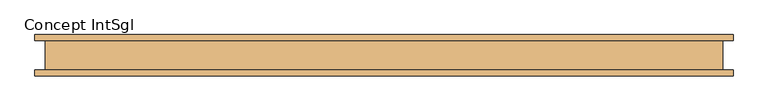
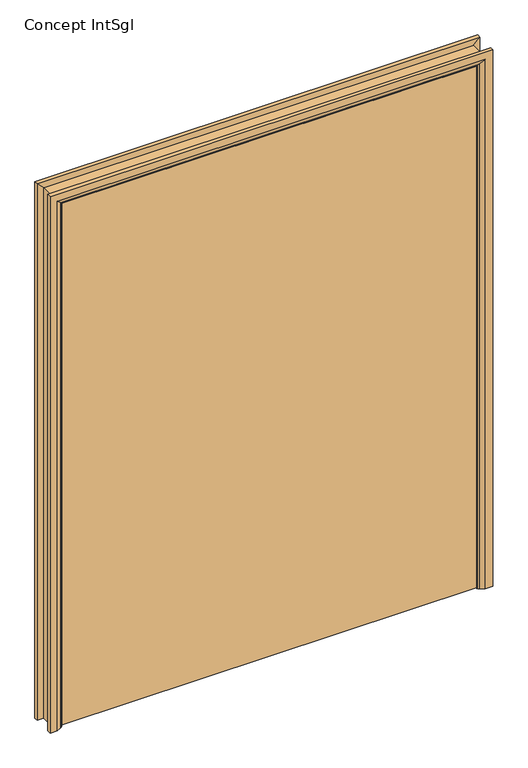
"""IFC4 building model written with IfcOpenShell, lengths in millimetres: door geometry, Concept IntSgl."""

from ifc_helpers import new_model, si_unit, frame, origin, place, context, project, spatial, polyline, circle_curve, ellipse_curve, outline, extrude, faceted_brep, source, transform, mapped, element, save
from ifc_brep_helpers import plane_surface, cylinder_surface, advanced_brep


def concept_intsgl_93e7fd15(model_context):
    return source(origin(), model_context, "Body", "SolidModel", [
        extrude(outline(polyline([(1108.0, -12.0), (1108.0, -50.0), (-1108.0, -50.0), (-1108.0, -12.0), (1108.0, -12.0)])), frame((0.0, 0.0, 8.0), z_axis=(0.0, 0.0, 1.0), x_axis=(1.0, 0.0, 0.0)), (0.0, 0.0, 1.0), 2950.0),
        advanced_brep(
        [(1185.0, -70.0, 0.0), (1145.0, -70.0, 0.0), (1119.0, -56.0, 0.0), (1115.0, -50.0, 0.0), (1185.0, -50.0, 0.0), (1185.0, -50.0, 3035.0), (1185.0, -70.0, 3035.0), (1115.0, -50.0, 2965.0), (-1115.0, -50.0, 2965.0), (-1115.0, -50.0, 0.0), (-1185.0, -50.0, 0.0), (-1185.0, -50.0, 3035.0), (1119.0, -56.0, 2969.0), (1145.0, -70.0, 2995.0), (-1185.0, -70.0, 3035.0), (-1185.0, -70.0, 0.0), (-1145.0, -70.0, 0.0), (-1145.0, -70.0, 2995.0), (-1119.0, -56.0, 0.0), (-1119.0, -56.0, 2969.0)],
        [
            (0, 1),
            (1, 2),
            (2, 3, circle_curve(frame((1123.0, -49.0, 0.0), z_axis=(0.0, 0.0, -1.0), x_axis=(1.0, 0.0, 0.0)), 8.0622577)),
            (3, 4),
            (4, 0),
            (4, 5),
            (5, 6),
            (6, 0),
            (3, 7),
            (7, 8),
            (8, 9),
            (9, 10),
            (10, 11),
            (11, 5),
            (2, 12),
            (12, 7, ellipse_curve(frame((1123.0, -49.0, 2973.0), z_axis=(0.7071067811865475, 0.0, -0.7071067811865475), x_axis=(-0.7071067811865474, 0.0, -0.7071067811865476)), 11.4017543, 8.0622577)),
            (1, 13),
            (13, 12),
            (6, 14),
            (14, 15),
            (15, 16),
            (16, 17),
            (17, 13),
            (10, 15),
            (14, 11),
            (9, 18, circle_curve(frame((-1123.0, -49.0, 0.0), z_axis=(0.0, 0.0, -1.0), x_axis=(-1.0, 0.0, 0.0)), 8.0622577)),
            (18, 16),
            (19, 18),
            (8, 19, ellipse_curve(frame((-1123.0, -49.0, 2973.0), z_axis=(-0.7071067811865475, 0.0, -0.7071067811865475), x_axis=(-0.7071067811865474, 0.0, 0.7071067811865476)), 11.4017543, 8.0622577)),
            (19, 17),
            (12, 19),
        ],
        [
            plane_surface(frame((1115.0, -50.0, 0.0), z_axis=(0.0, 0.0, -1.0), x_axis=(0.0, 1.0, 0.0))),
            plane_surface(frame((1185.0, -70.0, 0.0), z_axis=(1.0, 0.0, 0.0), x_axis=(0.0, 0.0, 1.0))),
            plane_surface(frame((1185.0, -50.0, 0.0), z_axis=(0.0, 1.0, 0.0), x_axis=(0.0, 0.0, 1.0))),
            cylinder_surface(frame((1123.0, -49.0, 0.0), z_axis=(0.0, 0.0, -1.0), x_axis=(1.0, 0.0, 0.0)), 8.0622577),
            plane_surface(frame((1119.0, -56.0, 0.0), z_axis=(-0.4740998230350126, -0.880471099922178, 0.0), x_axis=(0.0, 0.0, 1.0))),
            plane_surface(frame((1145.0, -70.0, 0.0), z_axis=(0.0, -1.0, 0.0), x_axis=(0.0, 0.0, 1.0))),
            plane_surface(frame((-1185.0, -70.0, 3035.0), z_axis=(-1.0, 0.0, 0.0), x_axis=(0.0, 0.0, -1.0))),
            plane_surface(frame((-1115.0, -50.0, 0.0), z_axis=(0.0, 0.0, -1.0), x_axis=(0.0, 1.0, 0.0))),
            cylinder_surface(frame((-1123.0, -49.0, 2965.0), z_axis=(0.0, 0.0, 1.0), x_axis=(-1.0, 0.0, 0.0)), 8.0622577),
            plane_surface(frame((-1119.0, -56.0, 2969.0), z_axis=(0.47409982303501824, -0.8804710999221749, 0.0), x_axis=(0.0, 0.0, -1.0))),
            plane_surface(frame((1185.0, -70.0, 3035.0), z_axis=(0.0, 0.0, 1.0), x_axis=(-1.0, 0.0, 0.0))),
            cylinder_surface(frame((1115.0, -49.0, 2973.0), z_axis=(1.0, 0.0, 0.0), x_axis=(0.0, 0.0, 1.0)), 8.0622577),
            plane_surface(frame((1119.0, -56.0, 2969.0), z_axis=(0.0, -0.8804710999221764, -0.4740998230350154), x_axis=(-1.0, 0.0, 0.0))),
        ],
        [
            (0, [[1, 2, 3, 4, 5]]),
            (1, [[6, 7, 8, -5]]),
            (2, [[9, 10, 11, 12, 13, 14, -6, -4]]),
            (3, [[15, 16, -9, -3]]),
            (4, [[17, 18, -15, -2]]),
            (5, [[-8, 19, 20, 21, 22, 23, -17, -1]]),
            (6, [[-13, 24, -20, 25]]),
            (7, [[-24, -12, 26, 27, -21]]),
            (8, [[28, -26, -11, 29]]),
            (9, [[-22, -27, -28, 30]]),
            (10, [[-14, -25, -19, -7]]),
            (11, [[31, -29, -10, -16]]),
            (12, [[-23, -30, -31, -18]]),
        ],
    ),
        extrude(outline(polyline([(0.0, -1091.0), (2941.0, -1091.0), (2941.0, 1091.0), (0.0, 1091.0), (0.0, 1110.0), (2960.0, 1110.0), (2960.0, -1110.0), (0.0, -1110.0), (0.0, -1091.0)])), frame((0.0, -10.0, 0.0), z_axis=(0.0, 1.0, 0.0), x_axis=(0.0, 0.0, 1.0)), (0.0, 0.0, 1.0), 32.0),
        advanced_brep(
        [(-1185.0, 70.0, 0.0), (-1145.0, 70.0, 0.0), (-1119.0, 56.0, 0.0), (-1115.0, 50.0, 0.0), (-1185.0, 50.0, 0.0), (-1185.0, 50.0, 3035.0), (-1185.0, 70.0, 3035.0), (-1115.0, 50.0, 2965.0), (-1119.0, 56.0, 2969.0), (-1145.0, 70.0, 2995.0), (1185.0, 70.0, 0.0), (1185.0, 50.0, 0.0), (1115.0, 50.0, 0.0), (1119.0, 56.0, 0.0), (1145.0, 70.0, 0.0), (1185.0, 70.0, 3035.0), (1145.0, 70.0, 2995.0), (1119.0, 56.0, 2969.0), (1115.0, 50.0, 2965.0), (1185.0, 50.0, 3035.0)],
        [
            (0, 1),
            (1, 2),
            (2, 3, circle_curve(frame((-1123.0, 49.0, 0.0), z_axis=(0.0, 0.0, -1.0), x_axis=(-1.0, 0.0, 0.0)), 8.0622577)),
            (3, 4),
            (4, 0),
            (4, 5),
            (5, 6),
            (6, 0),
            (3, 7),
            (7, 5),
            (2, 8),
            (8, 7, ellipse_curve(frame((-1123.0, 49.0, 2973.0), z_axis=(-0.7071067811865475, 0.0, -0.7071067811865475), x_axis=(0.7071067811865474, 0.0, -0.7071067811865476)), 11.4017543, 8.0622577)),
            (1, 9),
            (9, 8),
            (6, 9),
            (10, 11),
            (11, 12),
            (12, 13, circle_curve(frame((1123.0, 49.0, 0.0), z_axis=(0.0, 0.0, -1.0), x_axis=(1.0, 0.0, 0.0)), 8.0622577)),
            (13, 14),
            (14, 10),
            (15, 10),
            (14, 16),
            (16, 15),
            (13, 17),
            (17, 16),
            (12, 18),
            (18, 17, ellipse_curve(frame((1123.0, 49.0, 2973.0), z_axis=(0.7071067811865475, 0.0, -0.7071067811865475), x_axis=(0.7071067811865474, 0.0, 0.7071067811865476)), 11.4017543, 8.0622577)),
            (11, 19),
            (19, 18),
            (15, 19),
            (5, 19),
            (15, 6),
            (7, 18),
            (8, 17),
            (9, 16),
        ],
        [
            plane_surface(frame((-1115.0, 122.8010989, 0.0), z_axis=(0.0, 0.0, -1.0), x_axis=(1.0, 0.0, 0.0))),
            plane_surface(frame((-1185.0, 70.0, 0.0), z_axis=(-1.0, 0.0, 0.0), x_axis=(0.0, 0.0, 1.0))),
            plane_surface(frame((-1185.0, 50.0, 0.0), z_axis=(0.0, -1.0, 0.0), x_axis=(0.0, 0.0, 1.0))),
            cylinder_surface(frame((-1123.0, 49.0, 0.0), z_axis=(0.0, 0.0, -1.0), x_axis=(-1.0, 0.0, 0.0)), 8.0622577),
            plane_surface(frame((-1119.0, 56.0, 0.0), z_axis=(0.4740998230350183, 0.8804710999221749, 0.0), x_axis=(0.0, 0.0, 1.0))),
            plane_surface(frame((-1145.0, 70.0, 0.0), z_axis=(0.0, 1.0, 0.0), x_axis=(0.0, 0.0, 1.0))),
            plane_surface(frame((1115.0, 122.8010989, 0.0), z_axis=(0.0, 0.0, -1.0), x_axis=(-1.0, 0.0, 0.0))),
            plane_surface(frame((1145.0, 70.0, 2995.0), z_axis=(0.0, 1.0, 0.0), x_axis=(0.0, 0.0, -1.0))),
            plane_surface(frame((1119.0, 56.0, 2969.0), z_axis=(-0.4740998230350183, 0.8804710999221749, 0.0), x_axis=(0.0, 0.0, -1.0))),
            cylinder_surface(frame((1123.0, 49.0, 2965.0), z_axis=(0.0, 0.0, 1.0), x_axis=(1.0, 0.0, 0.0)), 8.0622577),
            plane_surface(frame((1185.0, 50.0, 3035.0), z_axis=(0.0, -1.0, 0.0), x_axis=(0.0, 0.0, -1.0))),
            plane_surface(frame((1185.0, 70.0, 3035.0), z_axis=(1.0, 0.0, 0.0), x_axis=(0.0, 0.0, -1.0))),
            plane_surface(frame((-1185.0, 70.0, 3035.0), z_axis=(0.0, 0.0, 1.0), x_axis=(1.0, 0.0, 0.0))),
            plane_surface(frame((-1185.0, 50.0, 3035.0), z_axis=(0.0, -1.0, 0.0), x_axis=(1.0, 0.0, 0.0))),
            cylinder_surface(frame((-1115.0, 49.0, 2973.0), z_axis=(-1.0, 0.0, 0.0), x_axis=(0.0, 0.0, 1.0)), 8.0622577),
            plane_surface(frame((-1119.0, 56.0, 2969.0), z_axis=(0.0, 0.8804710999221749, -0.4740998230350183), x_axis=(1.0, 0.0, 0.0))),
            plane_surface(frame((-1145.0, 70.0, 2995.0), z_axis=(0.0, 1.0, 0.0), x_axis=(1.0, 0.0, 0.0))),
        ],
        [
            (0, [[1, 2, 3, 4, 5]]),
            (1, [[6, 7, 8, -5]]),
            (2, [[9, 10, -6, -4]]),
            (3, [[11, 12, -9, -3]]),
            (4, [[13, 14, -11, -2]]),
            (5, [[-8, 15, -13, -1]]),
            (6, [[16, 17, 18, 19, 20]]),
            (7, [[21, -20, 22, 23]]),
            (8, [[-22, -19, 24, 25]]),
            (9, [[-24, -18, 26, 27]]),
            (10, [[-26, -17, 28, 29]]),
            (11, [[-28, -16, -21, 30]]),
            (12, [[31, -30, 32, -7]]),
            (13, [[33, -29, -31, -10]]),
            (14, [[34, -27, -33, -12]]),
            (15, [[35, -25, -34, -14]]),
            (16, [[-32, -23, -35, -15]]),
        ],
    ),
        faceted_brep([(-1110.0, 50.0, 0.0), (-1110.0, -50.0, 0.0), (-1150.0, -50.0, 0.0), (-1150.0, 50.0, 0.0), (-1150.0, 50.0, 3000.0), (-1110.0, 50.0, 2960.0), (-1150.0, -50.0, 3000.0), (-1110.0, -50.0, 2960.0), (1110.0, 50.0, 0.0), (1150.0, 50.0, 0.0), (1150.0, -50.0, 0.0), (1110.0, -50.0, 0.0), (1110.0, 50.0, 2960.0), (1110.0, -50.0, 2960.0), (1150.0, -50.0, 3000.0), (1150.0, 50.0, 3000.0)], [[[0, 1, 2, 3]], [[3, 4, 5, 0]], [[2, 6, 4, 3]], [[1, 7, 6, 2]], [[0, 5, 7, 1]], [[8, 9, 10, 11]], [[12, 8, 11, 13]], [[13, 11, 10, 14]], [[14, 10, 9, 15]], [[15, 9, 8, 12]], [[4, 15, 12, 5]], [[6, 14, 15, 4]], [[7, 13, 14, 6]], [[5, 12, 13, 7]]]),
    ])


if __name__ == "__main__":
    model = new_model("IFC4")
    model_context = context("Model", 3, world=origin())
    ifc_project = project(units=[si_unit("LENGTHUNIT", "METRE", prefix="MILLI")], contexts=[model_context])
    site = spatial("IfcSite", under=ifc_project)
    building = spatial("IfcBuilding", under=site)
    placement = place(None, origin())
    concept_intsgl_shape = concept_intsgl_93e7fd15(model_context)
    element("IfcDoor", 1, ObjectType="Concept IntSgl", at=placement, inside=building, context=model_context, shape_type="MappedRepresentation", body=[
        mapped(concept_intsgl_shape, transform((0.0, 0.0, 0.0), x_axis=(1.0, 0.0, 0.0), y_axis=(0.0, 1.0, 0.0), z_axis=(0.0, 0.0, 1.0))),
    ])
    save(model, "model.ifc")
